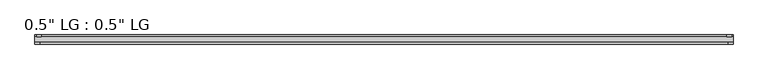
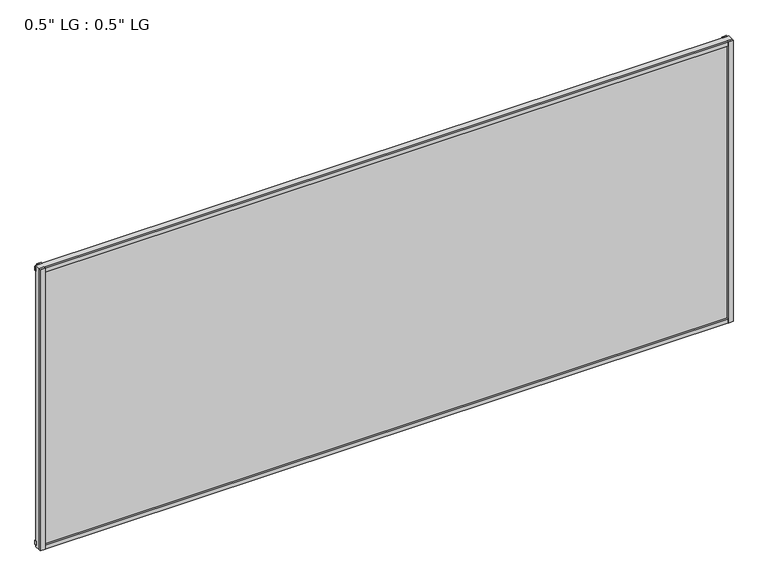
"""IFC4 building model written with IfcOpenShell, lengths in millimetres: plate geometry."""

from ifc_helpers import new_model, si_unit, frame, origin, origin_with_axes, place, context, project, spatial, polyline, outline, extrude, source, transform, mapped, element, save


def plate_e558c27d(model_context):
    return source(origin(), model_context, "Body", "SweptSolid", [
        extrude(outline(polyline([(867.5191406, -33.3271813), (867.5191406, -38.0007813), (855.381461, -38.0007813), (855.381461, -33.3271813), (867.5191406, -33.3271813)])), origin_with_axes(), (0.0, 0.0, 1.0), 744.6980689),
        extrude(outline(polyline([(863.9877869, -15.5217813), (863.9877869, -19.7127813), (851.9753631, -19.7127813), (851.9753631, -15.5217813), (863.9877869, -15.5217813)])), origin_with_axes(), (0.0, 0.0, 1.0), 744.6980689),
        extrude(outline(polyline([(-855.2285626, -38.0007812), (-867.5191406, -38.0007812), (-867.5191406, -33.3271813), (-855.2285626, -33.3271813), (-855.2285626, -38.0007812)])), origin_with_axes(), (0.0, 0.0, 1.0), 744.6980689),
        extrude(outline(polyline([(-851.2693247, -19.7127813), (-863.5599027, -19.7127813), (-863.5599027, -15.5217812), (-851.2693247, -15.5217812), (-851.2693247, -19.7127813)])), origin_with_axes(), (0.0, 0.0, 1.0), 744.6980689),
        extrude(outline(polyline([(867.5191406, -33.3271813), (867.5191406, -38.0007813), (-867.5191406, -38.0007812), (-867.5191406, -33.3271812), (867.5191406, -33.3271813)])), origin_with_axes(), (0.0, 0.0, 1.0), 11.1693096),
        extrude(outline(polyline([(867.5191406, -15.3590708), (867.5191406, -20.1364307), (-867.5191406, -20.1364307), (-867.5191406, -15.3590708), (867.5191406, -15.3590708)])), frame((0.0, 0.0, 3.848913), z_axis=(0.0, 0.0, 1.0), x_axis=(1.0, 0.0, 0.0)), (0.0, 0.0, 1.0), 11.1693096),
        extrude(outline(polyline([(867.5191406, -33.3271813), (867.5191406, -38.0007813), (-867.5191406, -38.0007812), (-867.5191406, -33.3271812), (867.5191406, -33.3271813)])), frame((0.0, 0.0, 733.516963), z_axis=(0.0, 0.0, 1.0), x_axis=(1.0, 0.0, 0.0)), (0.0, 0.0, 1.0), 11.1811058),
        extrude(outline(polyline([(867.5191406, -15.5217813), (867.5191406, -19.7127813), (-867.5191406, -19.7127812), (-867.5191406, -15.5217813), (867.5191406, -15.5217813)])), frame((0.0, 0.0, 728.9578163), z_axis=(0.0, 0.0, 1.0), x_axis=(1.0, 0.0, 0.0)), (0.0, 0.0, 1.0), 11.1811058),
        extrude(outline(polyline([(867.5191406, -33.3271812), (-867.5191406, -33.3271812), (-867.5191406, -19.7127812), (867.5191406, -19.7127812), (867.5191406, -33.3271812)])), origin_with_axes(), (0.0, 0.0, 1.0), 744.6980689),
    ])


if __name__ == "__main__":
    model = new_model("IFC4")
    model_context = context("Model", 3, world=origin())
    ifc_project = project(units=[si_unit("LENGTHUNIT", "METRE", prefix="MILLI")], contexts=[model_context])
    site = spatial("IfcSite", under=ifc_project)
    building = spatial("IfcBuilding", under=site)
    placement = place(None, origin())
    plate_shape = plate_e558c27d(model_context)
    element("IfcPlate", 1, ObjectType="0.5\" LG : 0.5\" LG", at=placement, inside=building, context=model_context, shape_type="MappedRepresentation", body=[
        mapped(plate_shape, transform((0.0, 0.0, 0.0), x_axis=(1.0, 0.0, 0.0), y_axis=(0.0, 1.0, 0.0), z_axis=(0.0, 0.0, 1.0))),
    ])
    save(model, "model.ifc")
